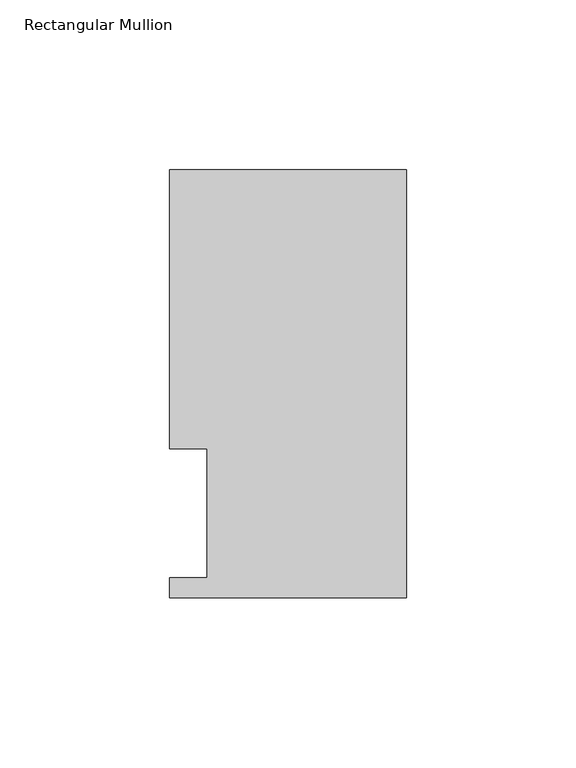
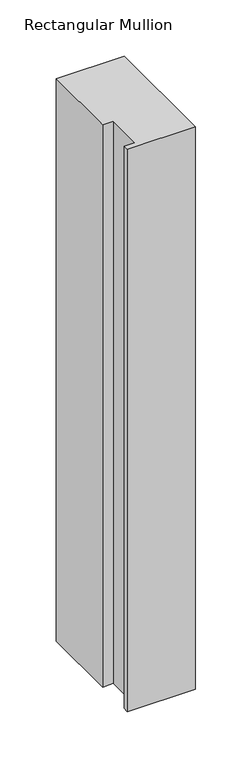
"""IFC4 building model written with IfcOpenShell, lengths in millimetres: member geometry, Rectangular Mullion."""

from ifc_helpers import new_model, si_unit, frame, origin, place, context, project, spatial, polyline, outline, extrude, source, transform, mapped, element, save


def rectangular_mullion_053a93d9(model_context):
    return source(origin(), model_context, "Body", "SweptSolid", [
        extrude(outline(polyline([(-69.85, 126.619), (0.0, 126.619), (0.0, 0.4064), (-69.85, 0.4064), (-69.85, 6.35), (-58.7375, 6.35), (-58.7375, 44.45), (-69.85, 44.45), (-69.85, 126.619)])), frame((0.0, 0.0, -609.6), z_axis=(0.0, 0.0, 1.0), x_axis=(1.0, 0.0, 0.0)), (0.0, 0.0, 1.0), 609.6),
    ])


if __name__ == "__main__":
    model = new_model("IFC4")
    model_context = context("Model", 3, world=origin())
    ifc_project = project(units=[si_unit("LENGTHUNIT", "METRE", prefix="MILLI")], contexts=[model_context])
    site = spatial("IfcSite", under=ifc_project)
    building = spatial("IfcBuilding", under=site)
    placement = place(None, origin())
    rectangular_mullion_shape = rectangular_mullion_053a93d9(model_context)
    element("IfcMember", 1, ObjectType="Rectangular Mullion", at=placement, inside=building, context=model_context, shape_type="MappedRepresentation", body=[
        mapped(rectangular_mullion_shape, transform((0.0, 0.0, 0.0), x_axis=(1.0, 0.0, 0.0), y_axis=(0.0, 1.0, 0.0), z_axis=(0.0, 0.0, 1.0))),
    ])
    save(model, "model.ifc")
